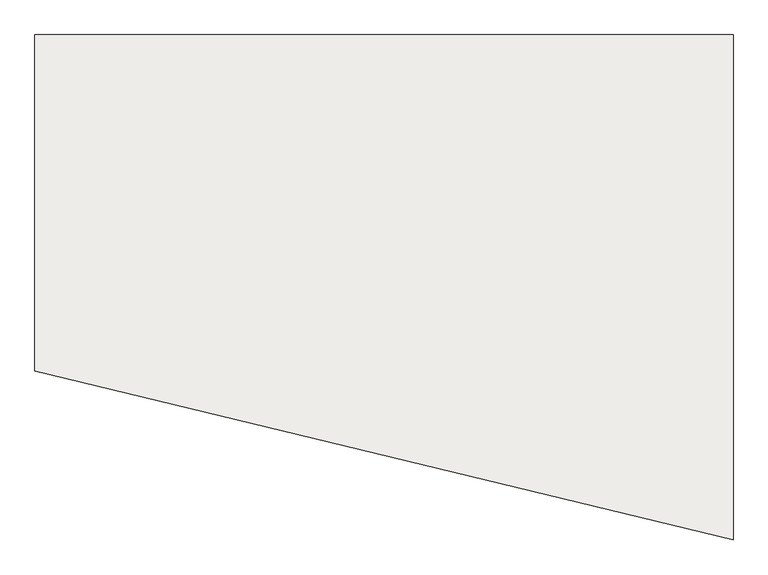
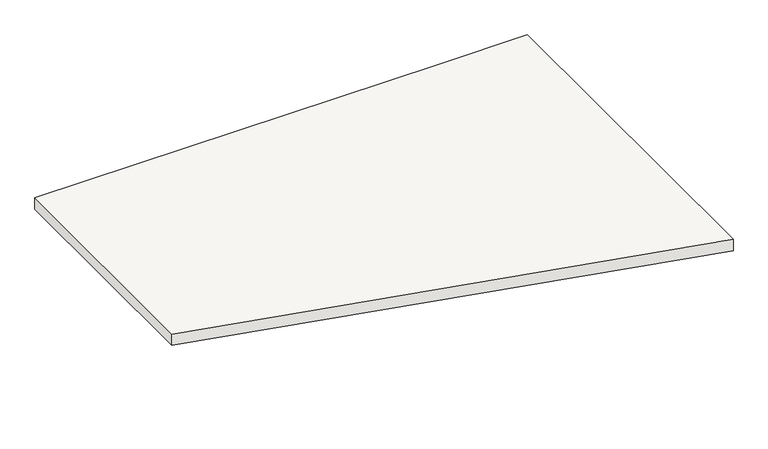
"""IFC4 building model written with IfcOpenShell, lengths in millimetres: slab geometry."""

from ifc_helpers import new_model, si_unit, frame, origin, place, context, project, spatial, polyline, outline, extrude, source, transform, mapped, element, save


def slab_bca46094(model_context):
    return source(origin(), model_context, "Body", "SweptSolid", [
        extrude(outline(polyline([(28739.0617086, 5580.1367173), (28959.0617086, 5580.1367173), (28959.0617086, 4690.3333696), (27729.9990554, 4987.6937015), (27729.9990554, 5580.1367173), (28739.0617086, 5580.1367173)])), frame((0.0, 0.0, 3520.0), z_axis=(0.0, 0.0, 1.0), x_axis=(1.0, 0.0, 0.0)), (0.0, 0.0, 1.0), 30.0),
    ])


if __name__ == "__main__":
    model = new_model("IFC4")
    model_context = context("Model", 3, world=origin())
    ifc_project = project(units=[si_unit("LENGTHUNIT", "METRE", prefix="MILLI")], contexts=[model_context])
    site = spatial("IfcSite", under=ifc_project)
    building = spatial("IfcBuilding", under=site)
    placement = place(None, origin())
    slab_shape = slab_bca46094(model_context)
    element("IfcSlab", 1, at=placement, inside=building, context=model_context, shape_type="MappedRepresentation", body=[
        mapped(slab_shape, transform((0.0, 0.0, 0.0), x_axis=(1.0, 0.0, 0.0), y_axis=(0.0, 1.0, 0.0), z_axis=(0.0, 0.0, 1.0))),
    ])
    save(model, "model.ifc")
